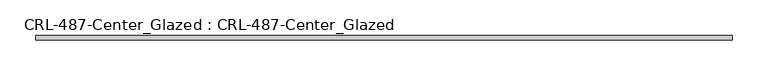
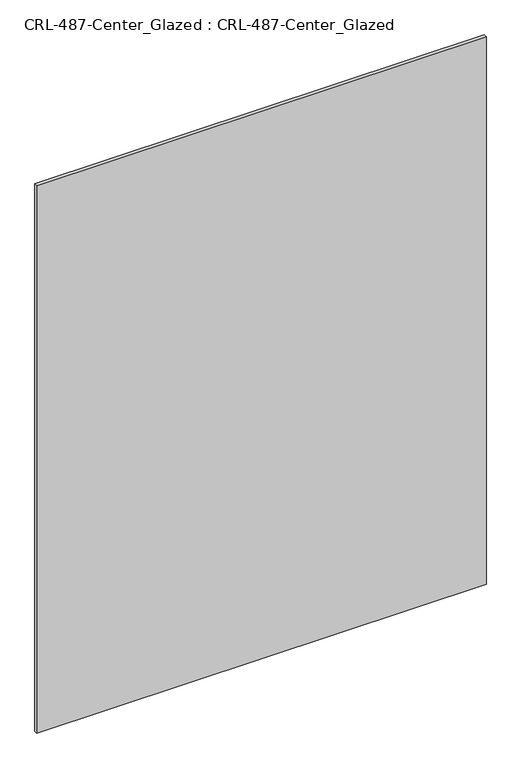
"""IFC4 building model written with IfcOpenShell, lengths in millimetres: plate geometry, CRL-487-Center_Glazed : CRL-487-Center_Glazed."""

from ifc_helpers import new_model, si_unit, origin, origin_with_axes, place, context, project, spatial, polyline, outline, extrude, source, transform, mapped, element, save


def crl_487_center_glazed_crl_487_center_glazed_09232031(model_context):
    return source(origin(), model_context, "Body", "SweptSolid", [
        extrude(outline(polyline([(488.16895, -3.1749999), (-488.16895, -3.1749999), (-488.16895, 3.1749999), (488.16895, 3.1749999), (488.16895, -3.1749999)])), origin_with_axes(), (0.0, 0.0, 1.0), 1256.1315983),
    ])


if __name__ == "__main__":
    model = new_model("IFC4")
    model_context = context("Model", 3, world=origin())
    ifc_project = project(units=[si_unit("LENGTHUNIT", "METRE", prefix="MILLI")], contexts=[model_context])
    site = spatial("IfcSite", under=ifc_project)
    building = spatial("IfcBuilding", under=site)
    placement = place(None, origin())
    crl_487_center_glazed_crl_487_center_glazed_shape = crl_487_center_glazed_crl_487_center_glazed_09232031(model_context)
    element("IfcPlate", 1, ObjectType="CRL-487-Center_Glazed : CRL-487-Center_Glazed", at=placement, inside=building, context=model_context, shape_type="MappedRepresentation", body=[
        mapped(crl_487_center_glazed_crl_487_center_glazed_shape, transform((0.0, 0.0, 0.0), x_axis=(1.0, 0.0, 0.0), y_axis=(0.0, 1.0, 0.0), z_axis=(0.0, 0.0, 1.0))),
    ])
    save(model, "model.ifc")
